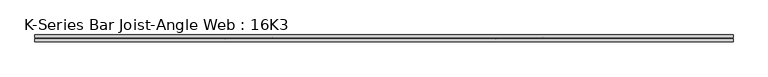
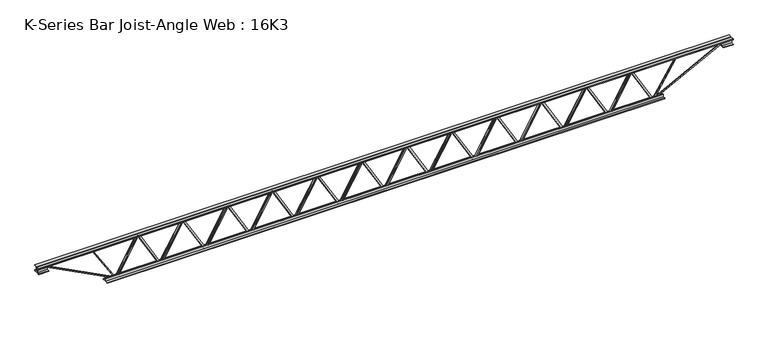
"""IFC4 building model written with IfcOpenShell, lengths in millimetres: beam geometry, K-Series Bar Joist-Angle Web : 16K3."""

from ifc_helpers import new_model, si_unit, frame, origin, place, context, project, spatial, polyline, outline, extrude, faceted_brep, source, transform, mapped, element, save


def k_series_bar_joist_angle_web_16k3_7d73b7f5(model_context):
    return source(origin(), model_context, "Body", "SolidModel", [
        extrude(outline(polyline([(-4.7625, 4.7625), (-4.7625, 0.0), (-17.4625, 0.0), (-17.4625, 4.7625), (-4.7625, 4.7625)])), frame((2298.9321024, 0.0, -165.1), z_axis=(-0.5007281989101086, 0.0, 0.8656045695444535), x_axis=(0.0, -1.0, 0.0)), (0.0, 0.0, 1.0), 381.4674871),
        extrude(outline(polyline([(-200.025, 2330.9791667), (-180.975, 2330.9791667), (-180.975, 2330.1230886), (200.025, 2109.7251719), (200.025, 2091.53125), (180.975, 2091.53125), (180.975, 2098.7373281), (-200.025, 2319.1352448), (-200.025, 2330.9791667)])), frame((0.0, 0.0, 0.0), z_axis=(0.0, 1.0, 0.0), x_axis=(0.0, 0.0, 1.0)), (0.0, 0.0, 1.0), 4.7625),
        faceted_brep([(1864.7833333, 0.0, -180.975), (1864.7833333, 0.0, -200.025), (1864.7833333, -4.7625, -200.025), (1864.7833333, -4.7625, -180.975), (1865.6394114, 0.0, -180.975), (2086.0373281, 0.0, 200.025), (2104.23125, 0.0, 200.025), (2104.23125, 0.0, 180.975), (2097.0251719, 0.0, 180.975), (1876.6272552, 0.0, -200.025), (1876.6272552, -4.7625, -200.025), (1896.8303976, -4.7625, -165.1), (1892.7079558, -4.7625, -162.715282), (2083.7194836, -4.7625, 167.484718), (2087.8419254, -4.7625, 165.1), (2097.0251719, -4.7625, 180.975), (2104.23125, -4.7625, 180.975), (2104.23125, -4.7625, 200.025), (2086.0373281, -4.7625, 200.025), (1865.6394114, -4.7625, -180.975), (2087.8419254, -17.4625, 165.1), (1896.8303976, -17.4625, -165.1), (1892.7079558, -17.4625, -162.715282), (2083.7194836, -17.4625, 167.484718)], [[[0, 1, 2, 3]], [[1, 0, 4, 5, 6, 7, 8, 9]], [[2, 1, 9, 10]], [[3, 2, 10, 11, 12, 13, 14, 15, 16, 17, 18, 19]], [[0, 3, 19, 4]], [[9, 8, 15, 14, 20, 21, 11, 10]], [[5, 4, 19, 18]], [[7, 6, 17, 16]], [[8, 7, 16, 15]], [[6, 5, 18, 17]], [[21, 22, 12, 11]], [[20, 14, 13, 23]], [[22, 21, 20, 23]], [[12, 22, 23, 13]]]),
        extrude(outline(polyline([(-4.7625, 4.7624999), (-4.7625, 0.0), (-17.4625, 0.0), (-17.4625, 4.7624999), (-4.7625, 4.7624999)])), frame((1832.7362691, 0.0, -165.1), z_axis=(-0.5007281989101086, 0.0, 0.8656045695444535), x_axis=(0.0, -1.0, 0.0)), (0.0, 0.0, 1.0), 381.4674871),
        extrude(outline(polyline([(-200.025, 1864.7833333), (-180.975, 1864.7833333), (-180.975, 1863.9272552), (200.025, 1643.5293386), (200.025, 1625.3354167), (180.975, 1625.3354167), (180.975, 1632.5414948), (-200.025, 1852.9394114), (-200.025, 1864.7833333)])), frame((0.0, 0.0, 0.0), z_axis=(0.0, 1.0, 0.0), x_axis=(0.0, 0.0, 1.0)), (0.0, 0.0, 1.0), 4.7625),
        faceted_brep([(1398.5875, 0.0, -180.975), (1398.5875, 0.0, -200.025), (1398.5875, -4.7625, -200.025), (1398.5875, -4.7625, -180.975), (1399.4435781, 0.0, -180.975), (1619.8414948, 0.0, 200.025), (1638.0354167, 0.0, 200.025), (1638.0354167, 0.0, 180.975), (1630.8293386, 0.0, 180.975), (1410.4314219, 0.0, -200.025), (1410.4314219, -4.7625, -200.025), (1430.6345643, -4.7625, -165.1), (1426.5121225, -4.7625, -162.715282), (1617.5236503, -4.7625, 167.484718), (1621.646092, -4.7625, 165.1), (1630.8293386, -4.7625, 180.975), (1638.0354167, -4.7625, 180.975), (1638.0354167, -4.7625, 200.025), (1619.8414948, -4.7625, 200.025), (1399.4435781, -4.7625, -180.975), (1621.646092, -17.4625, 165.1), (1430.6345643, -17.4625, -165.1), (1426.5121225, -17.4625, -162.715282), (1617.5236503, -17.4625, 167.484718)], [[[0, 1, 2, 3]], [[1, 0, 4, 5, 6, 7, 8, 9]], [[2, 1, 9, 10]], [[3, 2, 10, 11, 12, 13, 14, 15, 16, 17, 18, 19]], [[0, 3, 19, 4]], [[9, 8, 15, 14, 20, 21, 11, 10]], [[5, 4, 19, 18]], [[7, 6, 17, 16]], [[8, 7, 16, 15]], [[6, 5, 18, 17]], [[21, 22, 12, 11]], [[20, 14, 13, 23]], [[22, 21, 20, 23]], [[12, 22, 23, 13]]]),
        extrude(outline(polyline([(-4.7625, 4.7625), (-4.7625, 0.0), (-17.4625, 0.0), (-17.4625, 4.7625), (-4.7625, 4.7625)])), frame((1366.5404357, 0.0, -165.1), z_axis=(-0.5007281989101086, 0.0, 0.8656045695444535), x_axis=(0.0, -1.0, 0.0)), (0.0, 0.0, 1.0), 381.4674871),
        extrude(outline(polyline([(-200.025, 1398.5875), (-180.975, 1398.5875), (-180.975, 1397.7314219), (200.025, 1177.3335052), (200.025, 1159.1395833), (180.975, 1159.1395833), (180.975, 1166.3456614), (-200.025, 1386.7435781), (-200.025, 1398.5875)])), frame((0.0, 0.0, 0.0), z_axis=(0.0, 1.0, 0.0), x_axis=(0.0, 0.0, 1.0)), (0.0, 0.0, 1.0), 4.7625),
        faceted_brep([(932.3916667, 0.0, -180.975), (932.3916667, 0.0, -200.025), (932.3916667, -4.7625, -200.025), (932.3916667, -4.7625, -180.975), (933.2477448, 0.0, -180.975), (1153.6456614, 0.0, 200.025), (1171.8395833, 0.0, 200.025), (1171.8395833, 0.0, 180.975), (1164.6335052, 0.0, 180.975), (944.2355886, 0.0, -200.025), (944.2355886, -4.7625, -200.025), (964.4387309, -4.7625, -165.1), (960.3162892, -4.7625, -162.715282), (1151.3278169, -4.7625, 167.484718), (1155.4502587, -4.7625, 165.1), (1164.6335052, -4.7625, 180.975), (1171.8395833, -4.7625, 180.975), (1171.8395833, -4.7625, 200.025), (1153.6456614, -4.7625, 200.025), (933.2477448, -4.7625, -180.975), (1155.4502587, -17.4625, 165.1), (964.4387309, -17.4625, -165.1), (960.3162892, -17.4625, -162.715282), (1151.3278169, -17.4625, 167.484718)], [[[0, 1, 2, 3]], [[1, 0, 4, 5, 6, 7, 8, 9]], [[2, 1, 9, 10]], [[3, 2, 10, 11, 12, 13, 14, 15, 16, 17, 18, 19]], [[0, 3, 19, 4]], [[9, 8, 15, 14, 20, 21, 11, 10]], [[5, 4, 19, 18]], [[7, 6, 17, 16]], [[8, 7, 16, 15]], [[6, 5, 18, 17]], [[21, 22, 12, 11]], [[20, 14, 13, 23]], [[22, 21, 20, 23]], [[12, 22, 23, 13]]]),
        extrude(outline(polyline([(-4.7625, 4.7625), (-4.7625, 0.0), (-17.4625, 0.0), (-17.4625, 4.7625), (-4.7625, 4.7625)])), frame((900.3446024, 0.0, -165.1), z_axis=(-0.5007281989101086, 0.0, 0.8656045695444535), x_axis=(0.0, -1.0, 0.0)), (0.0, 0.0, 1.0), 381.4674871),
        extrude(outline(polyline([(-200.025, 932.3916667), (-180.975, 932.3916667), (-180.975, 931.5355886), (200.025, 711.1376719), (200.025, 692.94375), (180.975, 692.94375), (180.975, 700.1498281), (-200.025, 920.5477448), (-200.025, 932.3916667)])), frame((0.0, 0.0, 0.0), z_axis=(0.0, 1.0, 0.0), x_axis=(0.0, 0.0, 1.0)), (0.0, 0.0, 1.0), 4.7625),
        faceted_brep([(466.1958333, 0.0, -180.975), (466.1958333, 0.0, -200.025), (466.1958333, -4.7625, -200.025), (466.1958333, -4.7625, -180.975), (467.0519114, 0.0, -180.975), (687.4498281, 0.0, 200.025), (705.64375, 0.0, 200.025), (705.64375, 0.0, 180.975), (698.4376719, 0.0, 180.975), (478.0397552, 0.0, -200.025), (478.0397552, -4.7625, -200.025), (498.2428976, -4.7625, -165.1), (494.1204558, -4.7625, -162.715282), (685.1319836, -4.7625, 167.484718), (689.2544254, -4.7625, 165.1), (698.4376719, -4.7625, 180.975), (705.64375, -4.7625, 180.975), (705.64375, -4.7625, 200.025), (687.4498281, -4.7625, 200.025), (467.0519114, -4.7625, -180.975), (689.2544254, -17.4625, 165.1), (498.2428976, -17.4625, -165.1), (494.1204558, -17.4625, -162.715282), (685.1319836, -17.4625, 167.484718)], [[[0, 1, 2, 3]], [[1, 0, 4, 5, 6, 7, 8, 9]], [[2, 1, 9, 10]], [[3, 2, 10, 11, 12, 13, 14, 15, 16, 17, 18, 19]], [[0, 3, 19, 4]], [[9, 8, 15, 14, 20, 21, 11, 10]], [[5, 4, 19, 18]], [[7, 6, 17, 16]], [[8, 7, 16, 15]], [[6, 5, 18, 17]], [[21, 22, 12, 11]], [[20, 14, 13, 23]], [[22, 21, 20, 23]], [[12, 22, 23, 13]]]),
        extrude(outline(polyline([(-4.7625, 4.7624999), (-4.7625, 0.0), (-17.4625, 0.0), (-17.4625, 4.7624999), (-4.7625, 4.7624999)])), frame((434.1487691, 0.0, -165.1), z_axis=(-0.5007281989101086, 0.0, 0.8656045695444535), x_axis=(0.0, -1.0, 0.0)), (0.0, 0.0, 1.0), 381.4674871),
        extrude(outline(polyline([(-200.025, 466.1958333), (-180.975, 466.1958333), (-180.975, 465.3397552), (200.025, 244.9418386), (200.025, 226.7479167), (180.975, 226.7479167), (180.975, 233.9539948), (-200.025, 454.3519114), (-200.025, 466.1958333)])), frame((0.0, 0.0, 0.0), z_axis=(0.0, 1.0, 0.0), x_axis=(0.0, 0.0, 1.0)), (0.0, 0.0, 1.0), 4.7625),
        faceted_brep([(0.0, 0.0, -180.975), (0.0, 0.0, -200.025), (0.0, -4.7625, -200.025), (0.0, -4.7625, -180.975), (0.8560781, 0.0, -180.975), (221.2539948, 0.0, 200.025), (239.4479167, 0.0, 200.025), (239.4479167, 0.0, 180.975), (232.2418386, 0.0, 180.975), (11.8439219, 0.0, -200.025), (11.8439219, -4.7625, -200.025), (32.0470643, -4.7625, -165.1), (27.9246225, -4.7625, -162.715282), (218.9361503, -4.7625, 167.484718), (223.058592, -4.7625, 165.1), (232.2418386, -4.7625, 180.975), (239.4479167, -4.7625, 180.975), (239.4479167, -4.7625, 200.025), (221.2539948, -4.7625, 200.025), (0.8560781, -4.7625, -180.975), (223.058592, -17.4625, 165.1), (32.0470643, -17.4625, -165.1), (27.9246225, -17.4625, -162.715282), (218.9361503, -17.4625, 167.484718)], [[[0, 1, 2, 3]], [[1, 0, 4, 5, 6, 7, 8, 9]], [[2, 1, 9, 10]], [[3, 2, 10, 11, 12, 13, 14, 15, 16, 17, 18, 19]], [[0, 3, 19, 4]], [[9, 8, 15, 14, 20, 21, 11, 10]], [[5, 4, 19, 18]], [[7, 6, 17, 16]], [[8, 7, 16, 15]], [[6, 5, 18, 17]], [[21, 22, 12, 11]], [[20, 14, 13, 23]], [[22, 21, 20, 23]], [[12, 22, 23, 13]]]),
        extrude(outline(polyline([(-4.7625, 4.7625), (-4.7625, 0.0), (-17.4625, 0.0), (-17.4625, 4.7625), (-4.7625, 4.7625)])), frame((-32.0470643, 0.0, -165.1), z_axis=(-0.5007281989101086, 0.0, 0.8656045695444535), x_axis=(0.0, -1.0, 0.0)), (0.0, 0.0, 1.0), 381.4674871),
        extrude(outline(polyline([(-200.025, 0.0), (-180.975, 0.0), (-180.975, -0.8560781), (200.025, -221.2539948), (200.025, -239.4479167), (180.975, -239.4479167), (180.975, -232.2418386), (-200.025, -11.8439219), (-200.025, 0.0)])), frame((0.0, 0.0, 0.0), z_axis=(0.0, 1.0, 0.0), x_axis=(0.0, 0.0, 1.0)), (0.0, 0.0, 1.0), 4.7625),
        faceted_brep([(-466.1958333, 0.0, -180.975), (-466.1958333, 0.0, -200.025), (-466.1958333, -4.7625, -200.025), (-466.1958333, -4.7625, -180.975), (-465.3397552, 0.0, -180.975), (-244.9418386, 0.0, 200.025), (-226.7479167, 0.0, 200.025), (-226.7479167, 0.0, 180.975), (-233.9539948, 0.0, 180.975), (-454.3519114, 0.0, -200.025), (-454.3519114, -4.7625, -200.025), (-434.1487691, -4.7625, -165.1), (-438.2712108, -4.7625, -162.715282), (-247.2596831, -4.7625, 167.484718), (-243.1372413, -4.7625, 165.1), (-233.9539948, -4.7625, 180.975), (-226.7479167, -4.7625, 180.975), (-226.7479167, -4.7625, 200.025), (-244.9418386, -4.7625, 200.025), (-465.3397552, -4.7625, -180.975), (-243.1372413, -17.4625, 165.1), (-434.1487691, -17.4625, -165.1), (-438.2712108, -17.4625, -162.715282), (-247.2596831, -17.4625, 167.484718)], [[[0, 1, 2, 3]], [[1, 0, 4, 5, 6, 7, 8, 9]], [[2, 1, 9, 10]], [[3, 2, 10, 11, 12, 13, 14, 15, 16, 17, 18, 19]], [[0, 3, 19, 4]], [[9, 8, 15, 14, 20, 21, 11, 10]], [[5, 4, 19, 18]], [[7, 6, 17, 16]], [[8, 7, 16, 15]], [[6, 5, 18, 17]], [[21, 22, 12, 11]], [[20, 14, 13, 23]], [[22, 21, 20, 23]], [[12, 22, 23, 13]]]),
        extrude(outline(polyline([(-4.7625, 4.7625), (-4.7625, 0.0), (-17.4625, 0.0), (-17.4625, 4.7625), (-4.7625, 4.7625)])), frame((-498.2428976, 0.0, -165.1), z_axis=(-0.5007281989101086, 0.0, 0.8656045695444535), x_axis=(0.0, -1.0, 0.0)), (0.0, 0.0, 1.0), 381.4674871),
        extrude(outline(polyline([(-200.025, -466.1958333), (-180.975, -466.1958333), (-180.975, -467.0519114), (200.025, -687.4498281), (200.025, -705.64375), (180.975, -705.64375), (180.975, -698.4376719), (-200.025, -478.0397552), (-200.025, -466.1958333)])), frame((0.0, 0.0, 0.0), z_axis=(0.0, 1.0, 0.0), x_axis=(0.0, 0.0, 1.0)), (0.0, 0.0, 1.0), 4.7625),
        faceted_brep([(-932.3916667, 0.0, -180.975), (-932.3916667, 0.0, -200.025), (-932.3916667, -4.7625, -200.025), (-932.3916667, -4.7625, -180.975), (-931.5355886, 0.0, -180.975), (-711.1376719, 0.0, 200.025), (-692.94375, 0.0, 200.025), (-692.94375, 0.0, 180.975), (-700.1498281, 0.0, 180.975), (-920.5477448, 0.0, -200.025), (-920.5477448, -4.7625, -200.025), (-900.3446024, -4.7625, -165.1), (-904.4670442, -4.7625, -162.715282), (-713.4555164, -4.7625, 167.484718), (-709.3330746, -4.7625, 165.1), (-700.1498281, -4.7625, 180.975), (-692.94375, -4.7625, 180.975), (-692.94375, -4.7625, 200.025), (-711.1376719, -4.7625, 200.025), (-931.5355886, -4.7625, -180.975), (-709.3330746, -17.4625, 165.1), (-900.3446024, -17.4625, -165.1), (-904.4670442, -17.4625, -162.715282), (-713.4555164, -17.4625, 167.484718)], [[[0, 1, 2, 3]], [[1, 0, 4, 5, 6, 7, 8, 9]], [[2, 1, 9, 10]], [[3, 2, 10, 11, 12, 13, 14, 15, 16, 17, 18, 19]], [[0, 3, 19, 4]], [[9, 8, 15, 14, 20, 21, 11, 10]], [[5, 4, 19, 18]], [[7, 6, 17, 16]], [[8, 7, 16, 15]], [[6, 5, 18, 17]], [[21, 22, 12, 11]], [[20, 14, 13, 23]], [[22, 21, 20, 23]], [[12, 22, 23, 13]]]),
        extrude(outline(polyline([(-4.7625, 4.7624999), (-4.7625, 0.0), (-17.4625, 0.0), (-17.4625, 4.7624999), (-4.7625, 4.7624999)])), frame((-964.4387309, 0.0, -165.1), z_axis=(-0.5007281989101086, 0.0, 0.8656045695444535), x_axis=(0.0, -1.0, 0.0)), (0.0, 0.0, 1.0), 381.4674871),
        extrude(outline(polyline([(-200.025, -932.3916667), (-180.975, -932.3916667), (-180.975, -933.2477448), (200.025, -1153.6456614), (200.025, -1171.8395833), (180.975, -1171.8395833), (180.975, -1164.6335052), (-200.025, -944.2355886), (-200.025, -932.3916667)])), frame((0.0, 0.0, 0.0), z_axis=(0.0, 1.0, 0.0), x_axis=(0.0, 0.0, 1.0)), (0.0, 0.0, 1.0), 4.7625),
        faceted_brep([(-1398.5875, 0.0, -180.975), (-1398.5875, 0.0, -200.025), (-1398.5875, -4.7625, -200.025), (-1398.5875, -4.7625, -180.975), (-1397.7314219, 0.0, -180.975), (-1177.3335052, 0.0, 200.025), (-1159.1395833, 0.0, 200.025), (-1159.1395833, 0.0, 180.975), (-1166.3456614, 0.0, 180.975), (-1386.7435781, 0.0, -200.025), (-1386.7435781, -4.7625, -200.025), (-1366.5404357, -4.7625, -165.1), (-1370.6628775, -4.7625, -162.715282), (-1179.6513497, -4.7625, 167.484718), (-1175.528908, -4.7625, 165.1), (-1166.3456614, -4.7625, 180.975), (-1159.1395833, -4.7625, 180.975), (-1159.1395833, -4.7625, 200.025), (-1177.3335052, -4.7625, 200.025), (-1397.7314219, -4.7625, -180.975), (-1175.528908, -17.4625, 165.1), (-1366.5404357, -17.4625, -165.1), (-1370.6628775, -17.4625, -162.715282), (-1179.6513497, -17.4625, 167.484718)], [[[0, 1, 2, 3]], [[1, 0, 4, 5, 6, 7, 8, 9]], [[2, 1, 9, 10]], [[3, 2, 10, 11, 12, 13, 14, 15, 16, 17, 18, 19]], [[0, 3, 19, 4]], [[9, 8, 15, 14, 20, 21, 11, 10]], [[5, 4, 19, 18]], [[7, 6, 17, 16]], [[8, 7, 16, 15]], [[6, 5, 18, 17]], [[21, 22, 12, 11]], [[20, 14, 13, 23]], [[22, 21, 20, 23]], [[12, 22, 23, 13]]]),
        extrude(outline(polyline([(-4.7625, 4.7625), (-4.7625, 0.0), (-17.4625, 0.0), (-17.4625, 4.7625), (-4.7625, 4.7625)])), frame((-1430.6345643, 0.0, -165.1), z_axis=(-0.5007281989101086, 0.0, 0.8656045695444535), x_axis=(0.0, -1.0, 0.0)), (0.0, 0.0, 1.0), 381.4674871),
        extrude(outline(polyline([(-200.025, -1398.5875), (-180.975, -1398.5875), (-180.975, -1399.4435781), (200.025, -1619.8414948), (200.025, -1638.0354167), (180.975, -1638.0354167), (180.975, -1630.8293386), (-200.025, -1410.4314219), (-200.025, -1398.5875)])), frame((0.0, 0.0, 0.0), z_axis=(0.0, 1.0, 0.0), x_axis=(0.0, 0.0, 1.0)), (0.0, 0.0, 1.0), 4.7625),
        faceted_brep([(-1864.7833333, 0.0, -180.975), (-1864.7833333, 0.0, -200.025), (-1864.7833333, -4.7625, -200.025), (-1864.7833333, -4.7625, -180.975), (-1863.9272552, 0.0, -180.975), (-1643.5293386, 0.0, 200.025), (-1625.3354167, 0.0, 200.025), (-1625.3354167, 0.0, 180.975), (-1632.5414948, 0.0, 180.975), (-1852.9394114, 0.0, -200.025), (-1852.9394114, -4.7625, -200.025), (-1832.7362691, -4.7625, -165.1), (-1836.8587108, -4.7625, -162.715282), (-1645.8471831, -4.7625, 167.484718), (-1641.7247413, -4.7625, 165.1), (-1632.5414948, -4.7625, 180.975), (-1625.3354167, -4.7625, 180.975), (-1625.3354167, -4.7625, 200.025), (-1643.5293386, -4.7625, 200.025), (-1863.9272552, -4.7625, -180.975), (-1641.7247413, -17.4625, 165.1), (-1832.7362691, -17.4625, -165.1), (-1836.8587108, -17.4625, -162.715282), (-1645.8471831, -17.4625, 167.484718)], [[[0, 1, 2, 3]], [[1, 0, 4, 5, 6, 7, 8, 9]], [[2, 1, 9, 10]], [[3, 2, 10, 11, 12, 13, 14, 15, 16, 17, 18, 19]], [[0, 3, 19, 4]], [[9, 8, 15, 14, 20, 21, 11, 10]], [[5, 4, 19, 18]], [[7, 6, 17, 16]], [[8, 7, 16, 15]], [[6, 5, 18, 17]], [[21, 22, 12, 11]], [[20, 14, 13, 23]], [[22, 21, 20, 23]], [[12, 22, 23, 13]]]),
        extrude(outline(polyline([(-4.7625, 4.7625), (-4.7625, 0.0), (-17.4625, 0.0), (-17.4625, 4.7625), (-4.7625, 4.7625)])), frame((-1896.8303976, 0.0, -165.1), z_axis=(-0.5007281989101086, 0.0, 0.8656045695444535), x_axis=(0.0, -1.0, 0.0)), (0.0, 0.0, 1.0), 381.4674871),
        extrude(outline(polyline([(-200.025, -1864.7833333), (-180.975, -1864.7833333), (-180.975, -1865.6394114), (200.025, -2086.0373281), (200.025, -2104.23125), (180.975, -2104.23125), (180.975, -2097.0251719), (-200.025, -1876.6272552), (-200.025, -1864.7833333)])), frame((0.0, 0.0, 0.0), z_axis=(0.0, 1.0, 0.0), x_axis=(0.0, 0.0, 1.0)), (0.0, 0.0, 1.0), 4.7625),
        faceted_brep([(-2330.9791667, 0.0, -180.975), (-2330.9791667, 0.0, -200.025), (-2330.9791667, -4.7625, -200.025), (-2330.9791667, -4.7625, -180.975), (-2330.1230886, 0.0, -180.975), (-2109.7251719, 0.0, 200.025), (-2091.53125, 0.0, 200.025), (-2091.53125, 0.0, 180.975), (-2098.7373281, 0.0, 180.975), (-2319.1352448, 0.0, -200.025), (-2319.1352448, -4.7625, -200.025), (-2298.9321024, -4.7625, -165.1), (-2303.0545442, -4.7625, -162.715282), (-2112.0430164, -4.7625, 167.484718), (-2107.9205746, -4.7625, 165.1), (-2098.7373281, -4.7625, 180.975), (-2091.53125, -4.7625, 180.975), (-2091.53125, -4.7625, 200.025), (-2109.7251719, -4.7625, 200.025), (-2330.1230886, -4.7625, -180.975), (-2107.9205746, -17.4625, 165.1), (-2298.9321024, -17.4625, -165.1), (-2303.0545442, -17.4625, -162.715282), (-2112.0430164, -17.4625, 167.484718)], [[[0, 1, 2, 3]], [[1, 0, 4, 5, 6, 7, 8, 9]], [[2, 1, 9, 10]], [[3, 2, 10, 11, 12, 13, 14, 15, 16, 17, 18, 19]], [[0, 3, 19, 4]], [[9, 8, 15, 14, 20, 21, 11, 10]], [[5, 4, 19, 18]], [[7, 6, 17, 16]], [[8, 7, 16, 15]], [[6, 5, 18, 17]], [[21, 22, 12, 11]], [[20, 14, 13, 23]], [[22, 21, 20, 23]], [[12, 22, 23, 13]]]),
        extrude(outline(polyline([(-4.7625, 4.7625), (-4.7625, 0.0), (-17.4625, 0.0), (-17.4625, 4.7625), (-4.7625, 4.7625)])), frame((2765.1279357, 0.0, -165.1), z_axis=(-0.5007281989101086, 0.0, 0.8656045695444535), x_axis=(0.0, -1.0, 0.0)), (0.0, 0.0, 1.0), 381.4674871),
        extrude(outline(polyline([(-200.025, 2797.175), (-180.975, 2797.175), (-180.975, 2796.3189219), (200.025, 2575.9210052), (200.025, 2557.7270833), (180.975, 2557.7270833), (180.975, 2564.9331614), (-200.025, 2785.3310781), (-200.025, 2797.175)])), frame((0.0, 0.0, 0.0), z_axis=(0.0, 1.0, 0.0), x_axis=(0.0, 0.0, 1.0)), (0.0, 0.0, 1.0), 4.7625),
        faceted_brep([(2330.9791667, 0.0, -180.975), (2330.9791667, 0.0, -200.025), (2330.9791667, -4.7625, -200.025), (2330.9791667, -4.7625, -180.975), (2331.8352448, 0.0, -180.975), (2552.2331614, 0.0, 200.025), (2570.4270833, 0.0, 200.025), (2570.4270833, 0.0, 180.975), (2563.2210052, 0.0, 180.975), (2342.8230886, 0.0, -200.025), (2342.8230886, -4.7625, -200.025), (2363.0262309, -4.7625, -165.1), (2358.9037892, -4.7625, -162.715282), (2549.9153169, -4.7625, 167.484718), (2554.0377587, -4.7625, 165.1), (2563.2210052, -4.7625, 180.975), (2570.4270833, -4.7625, 180.975), (2570.4270833, -4.7625, 200.025), (2552.2331614, -4.7625, 200.025), (2331.8352448, -4.7625, -180.975), (2554.0377587, -17.4625, 165.1), (2363.0262309, -17.4625, -165.1), (2358.9037892, -17.4625, -162.715282), (2549.9153169, -17.4625, 167.484718)], [[[0, 1, 2, 3]], [[1, 0, 4, 5, 6, 7, 8, 9]], [[2, 1, 9, 10]], [[3, 2, 10, 11, 12, 13, 14, 15, 16, 17, 18, 19]], [[0, 3, 19, 4]], [[9, 8, 15, 14, 20, 21, 11, 10]], [[5, 4, 19, 18]], [[7, 6, 17, 16]], [[8, 7, 16, 15]], [[6, 5, 18, 17]], [[21, 22, 12, 11]], [[20, 14, 13, 23]], [[22, 21, 20, 23]], [[12, 22, 23, 13]]]),
        extrude(outline(polyline([(-4.7625, 4.7624999), (-4.7625, 0.0), (-17.4625, 0.0), (-17.4625, 4.7624999), (-4.7625, 4.7624999)])), frame((-2363.0262309, 0.0, -165.1), z_axis=(-0.5007281989101086, 0.0, 0.8656045695444535), x_axis=(0.0, -1.0, 0.0)), (0.0, 0.0, 1.0), 381.4674871),
        extrude(outline(polyline([(-200.025, -2330.9791667), (-180.975, -2330.9791667), (-180.975, -2331.8352448), (200.025, -2552.2331614), (200.025, -2570.4270833), (180.975, -2570.4270833), (180.975, -2563.2210052), (-200.025, -2342.8230886), (-200.025, -2330.9791667)])), frame((0.0, 0.0, 0.0), z_axis=(0.0, 1.0, 0.0), x_axis=(0.0, 0.0, 1.0)), (0.0, 0.0, 1.0), 4.7625),
        faceted_brep([(-2797.175, 0.0, -180.975), (-2797.175, 0.0, -200.025), (-2797.175, -4.7625, -200.025), (-2797.175, -4.7625, -180.975), (-2796.3189219, 0.0, -180.975), (-2575.9210052, 0.0, 200.025), (-2557.7270833, 0.0, 200.025), (-2557.7270833, 0.0, 180.975), (-2564.9331614, 0.0, 180.975), (-2785.3310781, 0.0, -200.025), (-2785.3310781, -4.7625, -200.025), (-2765.1279357, -4.7625, -165.1), (-2769.2503775, -4.7625, -162.715282), (-2578.2388497, -4.7625, 167.484718), (-2574.116408, -4.7625, 165.1), (-2564.9331614, -4.7625, 180.975), (-2557.7270833, -4.7625, 180.975), (-2557.7270833, -4.7625, 200.025), (-2575.9210052, -4.7625, 200.025), (-2796.3189219, -4.7625, -180.975), (-2574.116408, -17.4625, 165.1), (-2765.1279357, -17.4625, -165.1), (-2769.2503775, -17.4625, -162.715282), (-2578.2388497, -17.4625, 167.484718)], [[[0, 1, 2, 3]], [[1, 0, 4, 5, 6, 7, 8, 9]], [[2, 1, 9, 10]], [[3, 2, 10, 11, 12, 13, 14, 15, 16, 17, 18, 19]], [[0, 3, 19, 4]], [[9, 8, 15, 14, 20, 21, 11, 10]], [[5, 4, 19, 18]], [[7, 6, 17, 16]], [[8, 7, 16, 15]], [[6, 5, 18, 17]], [[21, 22, 12, 11]], [[20, 14, 13, 23]], [[22, 21, 20, 23]], [[12, 22, 23, 13]]]),
        extrude(outline(polyline([(4.7625, 203.2), (36.5125, 203.2), (36.5125, 196.85), (11.1125, 196.85), (11.1125, 171.45), (4.7625, 171.45), (4.7625, 203.2)])), frame((-3609.975, 0.0, 0.0), z_axis=(1.0, 0.0, 0.0), x_axis=(0.0, 1.0, 0.0)), (0.0, 0.0, 1.0), 7219.95),
        extrude(outline(polyline([(-4.7625, 203.2), (-4.7625, 171.45), (-11.1125, 171.45), (-11.1125, 196.85), (-36.5125, 196.85), (-36.5125, 203.2), (-4.7625, 203.2)])), frame((-3609.975, 0.0, 0.0), z_axis=(1.0, 0.0, 0.0), x_axis=(0.0, 1.0, 0.0)), (0.0, 0.0, 1.0), 7219.95),
        extrude(outline(polyline([(-4.7625, 139.7), (-36.5125, 139.7), (-36.5125, 146.05), (-11.1125, 146.05), (-11.1125, 171.45), (-4.7625, 171.45), (-4.7625, 139.7)])), frame((-3609.975, 0.0, 0.0), z_axis=(1.0, 0.0, 0.0), x_axis=(0.0, 1.0, 0.0)), (0.0, 0.0, 1.0), 101.6),
        extrude(outline(polyline([(36.5125, 139.7), (4.7625, 139.7), (4.7625, 171.45), (11.1125, 171.45), (11.1125, 146.05), (36.5125, 146.05), (36.5125, 139.7)])), frame((-3609.975, 0.0, 0.0), z_axis=(1.0, 0.0, 0.0), x_axis=(0.0, 1.0, 0.0)), (0.0, 0.0, 1.0), 101.6),
        extrude(outline(polyline([(4.7625, 139.7), (4.7625, 171.45), (11.1125, 171.45), (11.1125, 146.05), (36.5125, 146.05), (36.5125, 139.7), (4.7625, 139.7)])), frame((3508.375, 0.0, 0.0), z_axis=(1.0, 0.0, 0.0), x_axis=(0.0, 1.0, 0.0)), (0.0, 0.0, 1.0), 101.6),
        extrude(outline(polyline([(-4.7625, 139.7), (-36.5125, 139.7), (-36.5125, 146.05), (-11.1125, 146.05), (-11.1125, 171.45), (-4.7625, 171.45), (-4.7625, 139.7)])), frame((3508.375, 0.0, 0.0), z_axis=(1.0, 0.0, 0.0), x_axis=(0.0, 1.0, 0.0)), (0.0, 0.0, 1.0), 101.6),
        extrude(outline(polyline([(4.7625, -203.2), (4.7625, -171.45), (11.1125, -171.45), (11.1125, -196.85), (36.5125, -196.85), (36.5125, -203.2), (4.7625, -203.2)])), frame((-2898.775, 0.0, 0.0), z_axis=(1.0, 0.0, 0.0), x_axis=(0.0, 1.0, 0.0)), (0.0, 0.0, 1.0), 5797.55),
        extrude(outline(polyline([(-4.7625, -203.2), (-36.5125, -203.2), (-36.5125, -196.85), (-11.1125, -196.85), (-11.1125, -171.45), (-4.7625, -171.45), (-4.7625, -203.2)])), frame((-2898.775, 0.0, 0.0), z_axis=(1.0, 0.0, 0.0), x_axis=(0.0, 1.0, 0.0)), (0.0, 0.0, 1.0), 5797.55),
        extrude(outline(polyline([(4.7625, 4.7625), (4.7625, -4.7625), (-4.7625, -4.7625), (-4.7625, 4.7625), (4.7625, 4.7625)])), frame((2797.175, 0.0, -196.85), z_axis=(0.5347921070938447, 0.0, 0.8449836697771892), x_axis=(0.0, -1.0, 0.0)), (0.0, 0.0, 1.0), 435.8664116),
        extrude(outline(polyline([(4.7625, 4.7625), (4.7625, -4.7625), (-4.7625, -4.7625), (-4.7625, 4.7625), (4.7625, 4.7625)])), frame((-2797.175, 0.0, -196.85), z_axis=(-0.5347921070938159, 0.0, 0.8449836697772074), x_axis=(0.0, -1.0, 0.0)), (0.0, 0.0, 1.0), 435.8664116),
        extrude(outline(polyline([(0.0, -9.525), (0.0, 0.0), (800.9059433, 0.0), (800.9059433, -9.525), (0.0, -9.525)])), frame((3510.5650559, -4.7625, 167.2209266), z_axis=(-0.45985424766101524, 0.0, 0.8879944092775144), x_axis=(-0.8879944092775144, 0.0, -0.45985424766101524)), (0.0, 0.0, 1.0), 9.525),
        extrude(outline(polyline([(0.0, -9.525), (0.0, 0.0), (800.9059433, 0.0), (800.9059433, -9.525), (0.0, -9.525)])), frame((-3510.5650559, 4.7625, 167.2209266), z_axis=(0.4598542476610146, 0.0, 0.8879944092775147), x_axis=(0.8879944092775147, 0.0, -0.4598542476610146)), (0.0, 0.0, 1.0), 9.525),
    ])


if __name__ == "__main__":
    model = new_model("IFC4")
    model_context = context("Model", 3, world=origin())
    ifc_project = project(units=[si_unit("LENGTHUNIT", "METRE", prefix="MILLI")], contexts=[model_context])
    site = spatial("IfcSite", under=ifc_project)
    building = spatial("IfcBuilding", under=site)
    placement = place(None, origin())
    k_series_bar_joist_angle_web_16k3_shape = k_series_bar_joist_angle_web_16k3_7d73b7f5(model_context)
    element("IfcBeam", 1, ObjectType="K-Series Bar Joist-Angle Web : 16K3", at=placement, inside=building, context=model_context, shape_type="MappedRepresentation", body=[
        mapped(k_series_bar_joist_angle_web_16k3_shape, transform((0.0, 0.0, 0.0), x_axis=(1.0, 0.0, 0.0), y_axis=(0.0, 1.0, 0.0), z_axis=(0.0, 0.0, 1.0))),
    ])
    save(model, "model.ifc")
